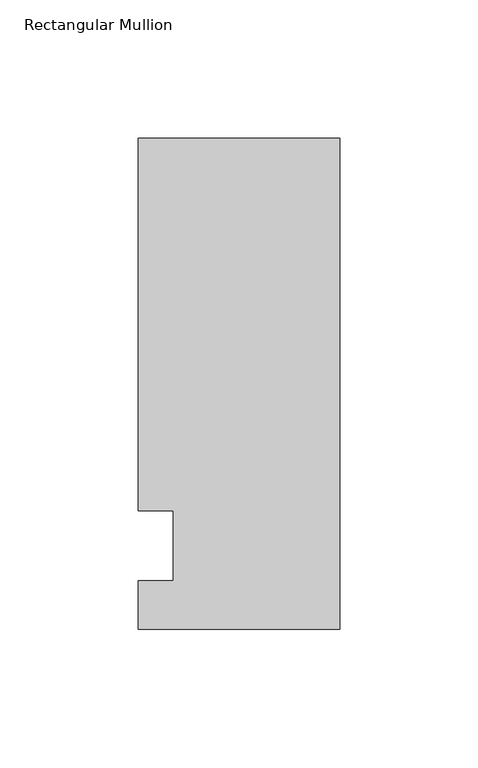
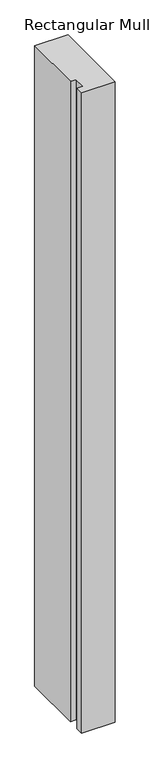
"""IFC4 building model written with IfcOpenShell, lengths in millimetres: member geometry, Rectangular Mullion."""

from ifc_helpers import new_model, si_unit, frame, origin, place, context, project, spatial, polyline, outline, extrude, source, transform, mapped, element, save


def rectangular_mullion_ea2cacb4(model_context):
    return source(origin(), model_context, "Body", "SweptSolid", [
        extrude(outline(polyline([(-73.025, 147.6375), (0.0, 147.6375), (0.0, -30.1625), (-73.025, -30.1625), (-73.025, -12.7), (-60.3232296, -12.7), (-60.3232296, 12.7), (-73.025, 12.7), (-73.025, 147.6375)])), frame((0.0, 0.0, -1478.28), z_axis=(0.0, 0.0, 1.0), x_axis=(1.0, 0.0, 0.0)), (0.0, 0.0, 1.0), 1478.28),
    ])


if __name__ == "__main__":
    model = new_model("IFC4")
    model_context = context("Model", 3, world=origin())
    ifc_project = project(units=[si_unit("LENGTHUNIT", "METRE", prefix="MILLI")], contexts=[model_context])
    site = spatial("IfcSite", under=ifc_project)
    building = spatial("IfcBuilding", under=site)
    placement = place(None, origin())
    rectangular_mullion_shape = rectangular_mullion_ea2cacb4(model_context)
    element("IfcMember", 1, ObjectType="Rectangular Mullion", at=placement, inside=building, context=model_context, shape_type="MappedRepresentation", body=[
        mapped(rectangular_mullion_shape, transform((0.0, 0.0, 0.0), x_axis=(1.0, 0.0, 0.0), y_axis=(0.0, 1.0, 0.0), z_axis=(0.0, 0.0, 1.0))),
    ])
    save(model, "model.ifc")
